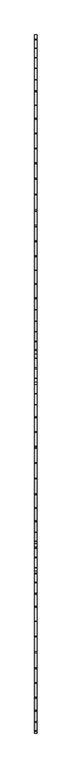
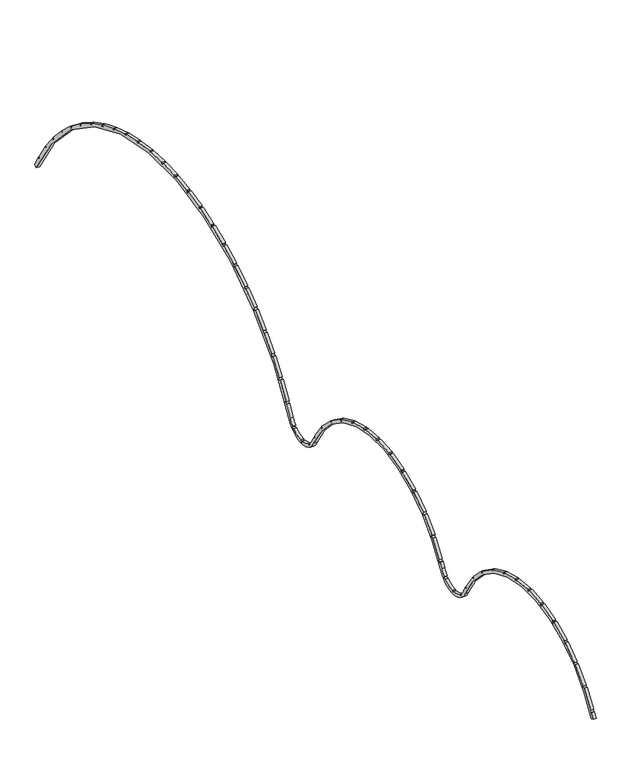
"""IFC4 building model written with IfcOpenShell, lengths in millimetres: proxy geometry."""

from ifc_helpers import new_model, si_unit, point, frame, frame_2d, origin, place, context, project, spatial, polyline, circle_curve, trimmed, segment, composite_curve, outline, extrude, source, transform, mapped, element, save


def generic_models_24d13f77(model_context):
    return source(origin(), model_context, "Body", "SweptSolid", [
        extrude(outline(composite_curve([segment(polyline([(-1289.0557113, -239.4698214), (-1301.5555607, -233.1647627)]), True, "CONTINUOUS"), segment(trimmed(circle_curve(frame_2d((-789.0557113, -491.6752067)), 574.0067467), [point((-1301.5555607, -233.1647627))], [point((-1288.6412763, -209.0128489))], False, "CARTESIAN"), True, "CONTINUOUS"), segment(polyline([(-1288.6412763, -209.0128489), (-1282.5788656, -212.5129833), (-1277.5788656, -203.8527293), (-1283.6412763, -200.3525949)]), True, "CONTINUOUS"), segment(trimmed(circle_curve(frame_2d((-789.0557113, -491.6752067)), 574.0067467), [point((-1283.6412763, -200.3525949))], [point((-1231.9676457, -126.5550023))], False, "CARTESIAN"), True, "CONTINUOUS"), segment(polyline([(-1231.9676457, -126.5550023), (-1226.6051286, -131.0546884), (-1220.1772525, -123.394244), (-1225.5397696, -118.8945579)]), True, "CONTINUOUS"), segment(trimmed(circle_curve(frame_2d((-789.0557113, -491.6752067)), 574.0067467), [point((-1225.5397696, -118.8945579))], [point((-1161.8363601, -55.1911483))], False, "CARTESIAN"), True, "CONTINUOUS"), segment(polyline([(-1161.8363601, -55.1911483), (-1157.336674, -60.5536654), (-1149.6762295, -54.1257893), (-1154.1759156, -48.7632723)]), True, "CONTINUOUS"), segment(trimmed(circle_curve(frame_2d((-789.0557113, -491.6752067)), 574.0067467), [point((-1154.1759156, -48.7632723))], [point((-1080.3783231, 2.9103584))], False, "CARTESIAN"), True, "CONTINUOUS"), segment(polyline([(-1080.3783231, 2.9103584), (-1076.8781886, -3.1520523), (-1068.2179346, 1.8479477), (-1071.718069, 7.9103584)]), True, "CONTINUOUS"), segment(trimmed(circle_curve(frame_2d((-789.0557113, -491.6752067)), 574.0067467), [point((-1071.718069, 7.9103584))], [point((-990.0685959, 45.984133))], False, "CARTESIAN"), True, "CONTINUOUS"), segment(polyline([(-990.0685959, 45.984133), (-987.674363, 39.406032), (-978.2774368, 42.8262334), (-980.6716697, 49.4043344)]), True, "CONTINUOUS"), segment(trimmed(circle_curve(frame_2d((-789.0557113, -491.6752067)), 574.0067467), [point((-980.6716697, 49.4043344))], [point((-893.651194, 72.7214006))], False, "CARTESIAN"), True, "CONTINUOUS"), segment(polyline([(-893.651194, 72.7214006), (-892.4356101, 65.8274815), (-882.5875325, 67.5639633), (-883.8031165, 74.4578824)]), True, "CONTINUOUS"), segment(trimmed(circle_curve(frame_2d((-789.0557113, -491.6752067)), 574.0067467), [point((-883.8031165, 74.4578824))], [point((-794.0557113, 82.3097629))], False, "CARTESIAN"), True, "CONTINUOUS"), segment(polyline([(-794.0557113, 82.3097629), (-794.0557113, 75.309494), (-784.0557113, 75.309494), (-784.0557113, 82.3097629)]), True, "CONTINUOUS"), segment(trimmed(circle_curve(frame_2d((-789.0557113, -491.6752067)), 574.0067467), [point((-784.0557113, 82.3097629))], [point((-694.3083061, 74.4578824))], False, "CARTESIAN"), True, "CONTINUOUS"), segment(polyline([(-694.3083061, 74.4578824), (-695.52389, 67.5639633), (-685.6758125, 65.8274815), (-684.4602285, 72.7214006)]), True, "CONTINUOUS"), segment(trimmed(circle_curve(frame_2d((-789.0557113, -491.6752067)), 574.0067467), [point((-684.4602285, 72.7214006))], [point((-597.4397528, 49.4043344))], False, "CARTESIAN"), True, "CONTINUOUS"), segment(polyline([(-597.4397528, 49.4043344), (-599.8339858, 42.8262334), (-590.4370596, 39.406032), (-588.0428266, 45.984133)]), True, "CONTINUOUS"), segment(trimmed(circle_curve(frame_2d((-789.0557113, -491.6752067)), 574.0067467), [point((-588.0428266, 45.984133))], [point((-506.3933535, 7.9103584))], False, "CARTESIAN"), True, "CONTINUOUS"), segment(polyline([(-506.3933535, 7.9103584), (-509.8934879, 1.8479477), (-501.2332339, -3.1520523), (-497.7330995, 2.9103584)]), True, "CONTINUOUS"), segment(trimmed(circle_curve(frame_2d((-789.0557113, -491.6752067)), 574.0067467), [point((-497.7330995, 2.9103584))], [point((-423.9355069, -48.7632723))], False, "CARTESIAN"), True, "CONTINUOUS"), segment(polyline([(-423.9355069, -48.7632723), (-428.435193, -54.1257893), (-420.7747486, -60.5536654), (-416.2750625, -55.1911483)]), True, "CONTINUOUS"), segment(trimmed(circle_curve(frame_2d((-789.0557113, -491.6752067)), 574.0067467), [point((-416.2750625, -55.1911483))], [point((-352.571653, -118.8945579))], False, "CARTESIAN"), True, "CONTINUOUS"), segment(polyline([(-352.571653, -118.8945579), (-357.93417, -123.394244), (-351.5062939, -131.0546884), (-346.1437769, -126.5550023)]), True, "CONTINUOUS"), segment(trimmed(circle_curve(frame_2d((-789.0557113, -491.6752067)), 574.0067467), [point((-346.1437769, -126.5550023))], [point((-294.4701462, -200.3525949))], False, "CARTESIAN"), True, "CONTINUOUS"), segment(polyline([(-294.4701462, -200.3525949), (-300.5325569, -203.8527293), (-295.5325569, -212.5129833), (-289.4701462, -209.0128489)]), True, "CONTINUOUS"), segment(trimmed(circle_curve(frame_2d((-789.0557113, -491.6752067)), 574.0067467), [point((-289.4701462, -209.0128489))], [point((-276.5558619, -233.1647627))], False, "CARTESIAN"), True, "CONTINUOUS"), segment(trimmed(circle_curve(frame_2d((-189.0557113, -189.0287443)), 98.0013493), [point((-276.5558619, -233.1647627))], [point((-256.6394427, -259.9984824))], True, "CARTESIAN"), True, "CONTINUOUS"), segment(polyline([(-256.6394427, -259.9984824), (-261.207422, -265.3138281), (-253.6233007, -271.831581), (-249.0553213, -266.5162354)]), True, "CONTINUOUS"), segment(trimmed(circle_curve(frame_2d((-189.0557113, -189.0287443)), 98.0013493), [point((-249.0553213, -266.5162354))], [point((-194.0557113, -286.9024613))], True, "CARTESIAN"), True, "CONTINUOUS"), segment(polyline([(-194.0557113, -286.9024613), (-194.0557113, -293.91098), (-184.0557113, -293.91098), (-184.0557113, -286.9024613)]), True, "CONTINUOUS"), segment(trimmed(circle_curve(frame_2d((-189.0557113, -189.0287443)), 98.0013493), [point((-184.0557113, -286.9024613))], [point((-129.0561012, -266.5162354))], True, "CARTESIAN"), True, "CONTINUOUS"), segment(polyline([(-129.0561012, -266.5162354), (-124.4881219, -271.831581), (-116.9040005, -265.3138281), (-121.4719799, -259.9984824)]), True, "CONTINUOUS"), segment(trimmed(circle_curve(frame_2d((-189.0557113, -189.0287443)), 98.0013493), [point((-121.4719799, -259.9984824))], [point((-101.5555607, -233.1647627))], True, "CARTESIAN"), True, "CONTINUOUS"), segment(trimmed(circle_curve(frame_2d((410.9442887, -491.6752067)), 574.0067467), [point((-101.5555607, -233.1647627))], [point((-88.6412763, -209.0128489))], False, "CARTESIAN"), True, "CONTINUOUS"), segment(polyline([(-88.6412763, -209.0128489), (-82.5788656, -212.5129833), (-77.5788656, -203.8527293), (-83.6412763, -200.3525949)]), True, "CONTINUOUS"), segment(trimmed(circle_curve(frame_2d((410.9442887, -491.6752067)), 574.0067467), [point((-83.6412763, -200.3525949))], [point((-31.9676457, -126.5550023))], False, "CARTESIAN"), True, "CONTINUOUS"), segment(polyline([(-31.9676457, -126.5550023), (-26.6051286, -131.0546884), (-20.1772525, -123.394244), (-25.5397696, -118.8945579)]), True, "CONTINUOUS"), segment(trimmed(circle_curve(frame_2d((410.9442887, -491.6752067)), 574.0067467), [point((-25.5397696, -118.8945579))], [point((38.1636399, -55.1911483))], False, "CARTESIAN"), True, "CONTINUOUS"), segment(polyline([(38.1636399, -55.1911483), (42.663326, -60.5536654), (50.3237705, -54.1257893), (45.8240844, -48.7632723)]), True, "CONTINUOUS"), segment(trimmed(circle_curve(frame_2d((410.9442887, -491.6752067)), 574.0067467), [point((45.8240844, -48.7632723))], [point((119.6216769, 2.9103584))], False, "CARTESIAN"), True, "CONTINUOUS"), segment(polyline([(119.6216769, 2.9103584), (123.1218114, -3.1520523), (131.7820654, 1.8479477), (128.281931, 7.9103584)]), True, "CONTINUOUS"), segment(trimmed(circle_curve(frame_2d((410.9442887, -491.6752067)), 574.0067467), [point((128.281931, 7.9103584))], [point((209.9314041, 45.984133))], False, "CARTESIAN"), True, "CONTINUOUS"), segment(polyline([(209.9314041, 45.984133), (212.325637, 39.406032), (221.7225632, 42.8262334), (219.3283303, 49.4043344)]), True, "CONTINUOUS"), segment(trimmed(circle_curve(frame_2d((410.9442887, -491.6752067)), 574.0067467), [point((219.3283303, 49.4043344))], [point((306.348806, 72.7214006))], False, "CARTESIAN"), True, "CONTINUOUS"), segment(polyline([(306.348806, 72.7214006), (307.5643899, 65.8274815), (317.4124675, 67.5639633), (316.1968835, 74.4578824)]), True, "CONTINUOUS"), segment(trimmed(circle_curve(frame_2d((410.9442887, -491.6752067)), 574.0067467), [point((316.1968835, 74.4578824))], [point((405.9442887, 82.3097629))], False, "CARTESIAN"), True, "CONTINUOUS"), segment(polyline([(405.9442887, 82.3097629), (405.9442887, 75.309494), (415.9442887, 75.309494), (415.9442887, 82.3097629)]), True, "CONTINUOUS"), segment(trimmed(circle_curve(frame_2d((410.9442887, -491.6752067)), 574.0067467), [point((415.9442887, 82.3097629))], [point((500.4545924, 75.309494))], False, "CARTESIAN"), True, "CONTINUOUS"), segment(trimmed(circle_curve(frame_2d((410.9442887, -491.6752067)), 574.0067468), [point((500.4545924, 75.309494))], [point((505.6916939, 74.4578824))], False, "CARTESIAN"), True, "CONTINUOUS"), segment(polyline([(505.6916939, 74.4578824), (504.47611, 67.5639633), (514.3241875, 65.8274815), (515.5397715, 72.7214006)]), True, "CONTINUOUS"), segment(trimmed(circle_curve(frame_2d((410.9442887, -491.6752067)), 574.0067467), [point((515.5397715, 72.7214006))], [point((602.5602472, 49.4043344))], False, "CARTESIAN"), True, "CONTINUOUS"), segment(polyline([(602.5602472, 49.4043344), (600.1660142, 42.8262334), (609.5629404, 39.406032), (611.9571734, 45.984133)]), True, "CONTINUOUS"), segment(trimmed(circle_curve(frame_2d((410.9442887, -491.6752067)), 574.0067467), [point((611.9571734, 45.984133))], [point((693.6066465, 7.9103584))], False, "CARTESIAN"), True, "CONTINUOUS"), segment(polyline([(693.6066465, 7.9103584), (690.1065121, 1.8479477), (698.7667661, -3.1520523), (702.2669005, 2.9103584)]), True, "CONTINUOUS"), segment(trimmed(circle_curve(frame_2d((410.9442887, -491.6752067)), 574.0067467), [point((702.2669005, 2.9103584))], [point((776.0644931, -48.7632723))], False, "CARTESIAN"), True, "CONTINUOUS"), segment(polyline([(776.0644931, -48.7632723), (771.564807, -54.1257893), (779.2252514, -60.5536654), (783.7249375, -55.1911483)]), True, "CONTINUOUS"), segment(trimmed(circle_curve(frame_2d((410.9442887, -491.6752067)), 574.0067467), [point((783.7249375, -55.1911483))], [point((847.428347, -118.8945579))], False, "CARTESIAN"), True, "CONTINUOUS"), segment(polyline([(847.428347, -118.8945579), (842.06583, -123.394244), (848.4937061, -131.0546884), (853.8562231, -126.5550023)]), True, "CONTINUOUS"), segment(trimmed(circle_curve(frame_2d((410.9442887, -491.6752067)), 574.0067467), [point((853.8562231, -126.5550023))], [point((905.5298538, -200.3525949))], False, "CARTESIAN"), True, "CONTINUOUS"), segment(polyline([(905.5298538, -200.3525949), (899.4674431, -203.8527293), (904.4674431, -212.5129833), (910.5298538, -209.0128489)]), True, "CONTINUOUS"), segment(trimmed(circle_curve(frame_2d((410.9442887, -491.6752067)), 574.0067467), [point((910.5298538, -209.0128489))], [point((923.4441381, -233.1647627))], False, "CARTESIAN"), True, "CONTINUOUS"), segment(trimmed(circle_curve(frame_2d((1010.9442887, -189.0287443)), 98.0013493), [point((923.4441381, -233.1647627))], [point((943.3605573, -259.9984824))], True, "CARTESIAN"), True, "CONTINUOUS"), segment(polyline([(943.3605573, -259.9984824), (938.792578, -265.3138281), (946.3766993, -271.831581), (950.9446787, -266.5162354)]), True, "CONTINUOUS"), segment(trimmed(circle_curve(frame_2d((1010.9442887, -189.0287443)), 98.0013493), [point((950.9446787, -266.5162354))], [point((1005.9442887, -286.9024613))], True, "CARTESIAN"), True, "CONTINUOUS"), segment(polyline([(1005.9442887, -286.9024613), (1005.9442887, -293.91098), (1015.9442887, -293.91098), (1015.9442887, -286.9024613)]), True, "CONTINUOUS"), segment(trimmed(circle_curve(frame_2d((1010.9442887, -189.0287443)), 98.0013493), [point((1015.9442887, -286.9024613))], [point((1070.9438988, -266.5162354))], True, "CARTESIAN"), True, "CONTINUOUS"), segment(polyline([(1070.9438988, -266.5162354), (1075.5118781, -271.831581), (1083.0959995, -265.3138281), (1078.5280201, -259.9984824)]), True, "CONTINUOUS"), segment(trimmed(circle_curve(frame_2d((1010.9442887, -189.0287443)), 98.0013493), [point((1078.5280201, -259.9984824))], [point((1098.4444393, -233.1647627))], True, "CARTESIAN"), True, "CONTINUOUS"), segment(trimmed(circle_curve(frame_2d((2110.9442887, -743.8805919)), 1134.0134934), [point((1098.4444393, -233.1647627))], [point((1126.3693413, -181.2094837))], False, "CARTESIAN"), True, "CONTINUOUS"), segment(polyline([(1126.3693413, -181.2094837), (1132.4315784, -184.7095179), (1137.4315784, -176.0492639), (1131.3693413, -172.5492296)]), True, "CONTINUOUS"), segment(trimmed(circle_curve(frame_2d((2110.9442887, -743.8805919)), 1134.0134934), [point((1131.3693413, -172.5492296))], [point((1179.1559646, -97.5392563))], False, "CARTESIAN"), True, "CONTINUOUS"), segment(polyline([(1179.1559646, -97.5392563), (1184.890085, -101.5543306), (1190.6258493, -93.3628101), (1184.8917289, -89.3477358)]), True, "CONTINUOUS"), segment(trimmed(circle_curve(frame_2d((2110.9442887, -743.8805919)), 1134.0134934), [point((1184.8917289, -89.3477358))], [point((1239.0340596, -18.7880767))], False, "CARTESIAN"), True, "CONTINUOUS"), segment(polyline([(1239.0340596, -18.7880767), (1244.3964232, -23.287634), (1250.8242993, -15.6271896), (1245.4619357, -11.1276323)]), True, "CONTINUOUS"), segment(trimmed(circle_curve(frame_2d((2110.9442887, -743.8805919)), 1134.0134934), [point((1245.4619357, -11.1276323))], [point((1305.547918, 54.444711))], False, "CARTESIAN"), True, "CONTINUOUS"), segment(polyline([(1305.547918, 54.444711), (1310.4977139, 49.4949151), (1317.5687817, 56.5659829), (1312.6189858, 61.5157788)]), True, "CONTINUOUS"), segment(trimmed(circle_curve(frame_2d((2110.9442887, -743.8805919)), 1134.0134934), [point((1312.6189858, 61.5157788))], [point((1378.1913291, 121.6017611))], False, "CARTESIAN"), True, "CONTINUOUS"), segment(polyline([(1378.1913291, 121.6017611), (1382.6908864, 116.2393975), (1390.3513308, 122.6672736), (1385.8517735, 128.0296372)]), True, "CONTINUOUS"), segment(trimmed(circle_curve(frame_2d((2110.9442887, -743.8805919)), 1134.0134934), [point((1385.8517735, 128.0296372))], [point((1452.3346401, 179.276997))], False, "CARTESIAN"), True, "CONTINUOUS"), segment(polyline([(1452.3346401, 179.276997), (1456.3498323, 173.5427084), (1464.5413527, 179.2784727), (1460.5008704, 185.0488795)]), True, "CONTINUOUS"), segment(trimmed(circle_curve(frame_2d((2110.9442887, -743.8805919)), 1134.0134934), [point((1460.5008704, 185.0488795))], [point((1539.6129264, 235.6943555))], False, "CARTESIAN"), True, "CONTINUOUS"), segment(polyline([(1539.6129264, 235.6943555), (1543.1129607, 229.6321184), (1551.7732147, 234.6321184), (1548.2731805, 240.6943555)]), True, "CONTINUOUS"), segment(trimmed(circle_curve(frame_2d((2110.9442887, -743.8805919)), 1134.0134934), [point((1548.2731805, 240.6943555))], [point((1627.1625969, 281.7615864))], False, "CARTESIAN"), True, "CONTINUOUS"), segment(polyline([(1627.1625969, 281.7615864), (1630.1209536, 275.4173698), (1639.1840315, 279.6435524), (1636.2256748, 285.987769)]), True, "CONTINUOUS"), segment(trimmed(circle_curve(frame_2d((2110.9442887, -743.8805919)), 1134.0134934), [point((1636.2256748, 285.987769))], [point((1718.3941381, 320.0230609))], False, "CARTESIAN"), True, "CONTINUOUS"), segment(polyline([(1718.3941381, 320.0230609), (1720.7883025, 313.4451482), (1730.1700549, 316.9070396), (1727.7910643, 323.4432623)]), True, "CONTINUOUS"), segment(trimmed(circle_curve(frame_2d((2110.9442887, -743.8805919)), 1134.0134934), [point((1727.7910643, 323.4432623))], [point((1812.613223, 350.1875862))], False, "CARTESIAN"), True, "CONTINUOUS"), segment(polyline([(1812.613223, 350.1875862), (1814.4249741, 343.4260393), (1824.0842323, 346.0142298), (1822.2724813, 352.7757767)]), True, "CONTINUOUS"), segment(trimmed(circle_curve(frame_2d((2110.9442887, -743.8805919)), 1134.0134934), [point((1822.2724813, 352.7757767))], [point((1909.1027875, 372.0255921))], False, "CARTESIAN"), True, "CONTINUOUS"), segment(polyline([(1909.1027875, 372.0255921), (1910.3183366, 365.1318704), (1920.1664141, 366.8683522), (1918.950865, 373.7620739)]), True, "CONTINUOUS"), segment(trimmed(circle_curve(frame_2d((2110.9442887, -743.8805919)), 1134.0134934), [point((1918.950865, 373.7620739))], [point((2007.1284876, 385.3708782))], False, "CARTESIAN"), True, "CONTINUOUS"), segment(polyline([(2007.1284876, 385.3708782), (2007.7385838, 378.3974471), (2017.7005308, 379.2690045), (2017.0904346, 386.2424356)]), True, "CONTINUOUS"), segment(trimmed(circle_curve(frame_2d((2110.9442887, -743.8805919)), 1134.0134934), [point((2017.0904346, 386.2424356))], [point((2105.9442887, 390.1218786))], False, "CARTESIAN"), True, "CONTINUOUS"), segment(polyline([(2105.9442887, 390.1218786), (2105.9442887, 383.1218102), (2115.9442887, 383.1218102), (2115.9442887, 390.1218786)]), True, "CONTINUOUS"), segment(trimmed(circle_curve(frame_2d((2110.9442887, -743.8805919)), 1134.0134934), [point((2115.9442887, 390.1218786))], [point((2204.7981428, 386.2424356))], False, "CARTESIAN"), True, "CONTINUOUS"), segment(polyline([(2204.7981428, 386.2424356), (2204.1880467, 379.2690045), (2214.1499937, 378.3974471), (2214.7600898, 385.3708782)]), True, "CONTINUOUS"), segment(trimmed(circle_curve(frame_2d((2110.9442887, -743.8805919)), 1134.0134934), [point((2214.7600898, 385.3708782))], [point((2302.9377125, 373.7620739))], False, "CARTESIAN"), True, "CONTINUOUS"), segment(polyline([(2302.9377125, 373.7620739), (2301.7221633, 366.8683522), (2311.5702409, 365.1318704), (2312.78579, 372.0255921)]), True, "CONTINUOUS"), segment(trimmed(circle_curve(frame_2d((2110.9442887, -743.8805919)), 1134.0134934), [point((2312.78579, 372.0255921))], [point((2399.6160962, 352.7757767))], False, "CARTESIAN"), True, "CONTINUOUS"), segment(polyline([(2399.6160962, 352.7757767), (2397.8043451, 346.0142298), (2407.4636034, 343.4260393), (2409.2753544, 350.1875862)]), True, "CONTINUOUS"), segment(trimmed(circle_curve(frame_2d((2110.9442887, -743.8805919)), 1134.0134934), [point((2409.2753544, 350.1875862))], [point((2494.0975131, 323.4432623))], False, "CARTESIAN"), True, "CONTINUOUS"), segment(polyline([(2494.0975131, 323.4432623), (2491.7185226, 316.9070396), (2501.1002749, 313.4451482), (2503.4944394, 320.0230609)]), True, "CONTINUOUS"), segment(trimmed(circle_curve(frame_2d((2110.9442887, -743.8805919)), 1134.0134934), [point((2503.4944394, 320.0230609))], [point((2585.6629027, 285.987769))], False, "CARTESIAN"), True, "CONTINUOUS"), segment(polyline([(2585.6629027, 285.987769), (2582.704546, 279.6435524), (2591.7676238, 275.4173698), (2594.7259806, 281.7615864)]), True, "CONTINUOUS"), segment(trimmed(circle_curve(frame_2d((2110.9442887, -743.8805919)), 1134.0134934), [point((2594.7259806, 281.7615864))], [point((2673.615397, 240.6943555))], False, "CARTESIAN"), True, "CONTINUOUS"), segment(polyline([(2673.615397, 240.6943555), (2670.1153628, 234.6321184), (2678.7756168, 229.6321184), (2682.275651, 235.6943555)]), True, "CONTINUOUS"), segment(trimmed(circle_curve(frame_2d((2110.9442887, -743.8805919)), 1134.0134934), [point((2682.275651, 235.6943555))], [point((2761.3877071, 185.0488795))], False, "CARTESIAN"), True, "CONTINUOUS"), segment(polyline([(2761.3877071, 185.0488795), (2757.3472248, 179.2784727), (2765.5387452, 173.5427084), (2769.5539373, 179.276997)]), True, "CONTINUOUS"), segment(trimmed(circle_curve(frame_2d((2110.9442887, -743.8805919)), 1134.0134934), [point((2769.5539373, 179.276997))], [point((2836.036804, 128.0296372))], False, "CARTESIAN"), True, "CONTINUOUS"), segment(polyline([(2836.036804, 128.0296372), (2831.5372467, 122.6672736), (2839.1976911, 116.2393975), (2843.6972484, 121.6017611)]), True, "CONTINUOUS"), segment(trimmed(circle_curve(frame_2d((2110.9442887, -743.8805919)), 1134.0134934), [point((2843.6972484, 121.6017611))], [point((2909.2695916, 61.5157788))], False, "CARTESIAN"), True, "CONTINUOUS"), segment(polyline([(2909.2695916, 61.5157788), (2904.3197958, 56.5659829), (2911.3908636, 49.4949151), (2916.3406595, 54.444711)]), True, "CONTINUOUS"), segment(trimmed(circle_curve(frame_2d((2110.9442887, -743.8805919)), 1134.0134934), [point((2916.3406595, 54.444711))], [point((2976.4266417, -11.1276323))], False, "CARTESIAN"), True, "CONTINUOUS"), segment(polyline([(2976.4266417, -11.1276323), (2971.0642782, -15.6271896), (2977.4921543, -23.287634), (2982.8545178, -18.7880767)]), True, "CONTINUOUS"), segment(trimmed(circle_curve(frame_2d((2110.9442887, -743.8805919)), 1134.0134934), [point((2982.8545178, -18.7880767))], [point((3036.9968485, -89.3477358))], False, "CARTESIAN"), True, "CONTINUOUS"), segment(polyline([(3036.9968485, -89.3477358), (3031.2627282, -93.3628101), (3036.9984925, -101.5543306), (3042.7326129, -97.5392563)]), True, "CONTINUOUS"), segment(trimmed(circle_curve(frame_2d((2110.9442887, -743.8805919)), 1134.0134934), [point((3042.7326129, -97.5392563))], [point((3090.5192362, -172.5492296))], False, "CARTESIAN"), True, "CONTINUOUS"), segment(polyline([(3090.5192362, -172.5492296), (3084.4569991, -176.0492639), (3089.4569991, -184.7095179), (3095.5192362, -181.2094837)]), True, "CONTINUOUS"), segment(trimmed(circle_curve(frame_2d((2110.9442887, -743.8805919)), 1134.0134934), [point((3095.5192362, -181.2094837))], [point((3123.4441381, -233.1647627))], False, "CARTESIAN"), True, "CONTINUOUS"), segment(polyline([(3123.4441381, -233.1647627), (3110.9442887, -239.4698214)]), True, "CONTINUOUS"), segment(trimmed(circle_curve(frame_2d((2110.9442887, -743.8805919)), 1120.0134934), [point((3110.9442887, -239.4698214))], [point((1110.9442887, -239.4698214))], True, "CARTESIAN"), True, "CONTINUOUS"), segment(trimmed(circle_curve(frame_2d((1010.9442887, -189.0287443)), 112.0013493), [point((1110.9442887, -239.4698214))], [point((910.9442887, -239.4698214))], False, "CARTESIAN"), True, "CONTINUOUS"), segment(trimmed(circle_curve(frame_2d((410.9442887, -491.6752067)), 560.0067467), [point((910.9442887, -239.4698214))], [point((-89.0557113, -239.4698214))], True, "CARTESIAN"), True, "CONTINUOUS"), segment(trimmed(circle_curve(frame_2d((-189.0557113, -189.0287443)), 112.0013493), [point((-89.0557113, -239.4698214))], [point((-289.0557113, -239.4698214))], False, "CARTESIAN"), True, "CONTINUOUS"), segment(trimmed(circle_curve(frame_2d((-789.0557113, -491.6752067)), 560.0067467), [point((-289.0557113, -239.4698214))], [point((-1289.0557113, -239.4698214))], True, "CARTESIAN"), True, "CONTINUOUS")], self_intersect=False)), frame((660.2593609, 0.0, 0.0), z_axis=(1.0, 0.0, 0.0), x_axis=(0.0, 1.0, 0.0)), (0.0, 0.0, 1.0), 14.0),
    ])


if __name__ == "__main__":
    model = new_model("IFC4")
    model_context = context("Model", 3, world=origin())
    ifc_project = project(units=[si_unit("LENGTHUNIT", "METRE", prefix="MILLI")], contexts=[model_context])
    site = spatial("IfcSite", under=ifc_project)
    building = spatial("IfcBuilding", under=site)
    placement = place(None, origin())
    generic_models_shape = generic_models_24d13f77(model_context)
    element("IfcBuildingElementProxy", 1, Name="Generic Models", at=placement, inside=building, context=model_context, shape_type="MappedRepresentation", body=[
        mapped(generic_models_shape, transform((0.0, 0.0, 0.0), x_axis=(1.0, 0.0, 0.0), y_axis=(0.0, 1.0, 0.0), z_axis=(0.0, 0.0, 1.0))),
    ])
    save(model, "model.ifc")
